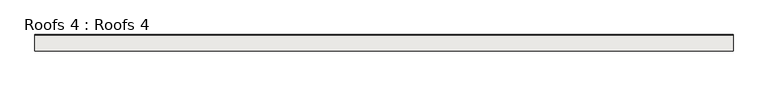
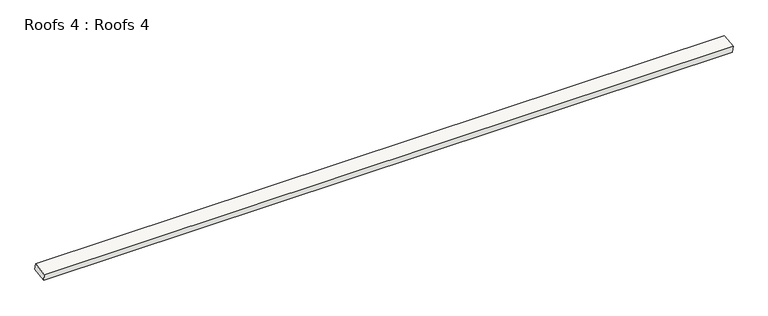
"""IFC4 building model written with IfcOpenShell, lengths in millimetres: roof geometry, Roofs 4 : Roofs 4."""

from ifc_helpers import new_model, si_unit, frame, origin, place, context, project, spatial, polyline, outline, extrude, source, transform, mapped, element, save


def roofs_4_roofs_4_2621fb5f(model_context):
    return source(origin(), model_context, "Body", "SweptSolid", [
        extrude(outline(polyline([(0.0, -232.0682804), (0.0, 0.0), (10407.8353097, 0.0), (10407.8353097, -232.0682804), (0.0, -232.0682804)])), frame((-15439.6750676, 38914.301123, -1169.8721114), z_axis=(0.0, -0.15643446504023997, 0.9876883405951363), x_axis=(-1.0, 0.0, 0.0)), (0.0, 0.0, 1.0), 101.6),
    ])


if __name__ == "__main__":
    model = new_model("IFC4")
    model_context = context("Model", 3, world=origin())
    ifc_project = project(units=[si_unit("LENGTHUNIT", "METRE", prefix="MILLI")], contexts=[model_context])
    site = spatial("IfcSite", under=ifc_project)
    building = spatial("IfcBuilding", under=site)
    placement = place(None, origin())
    roofs_4_roofs_4_shape = roofs_4_roofs_4_2621fb5f(model_context)
    element("IfcRoof", 1, ObjectType="Roofs 4 : Roofs 4", at=placement, inside=building, context=model_context, shape_type="MappedRepresentation", body=[
        mapped(roofs_4_roofs_4_shape, transform((0.0, 0.0, 0.0), x_axis=(1.0, 0.0, 0.0), y_axis=(0.0, 1.0, 0.0), z_axis=(0.0, 0.0, 1.0))),
    ])
    save(model, "model.ifc")
